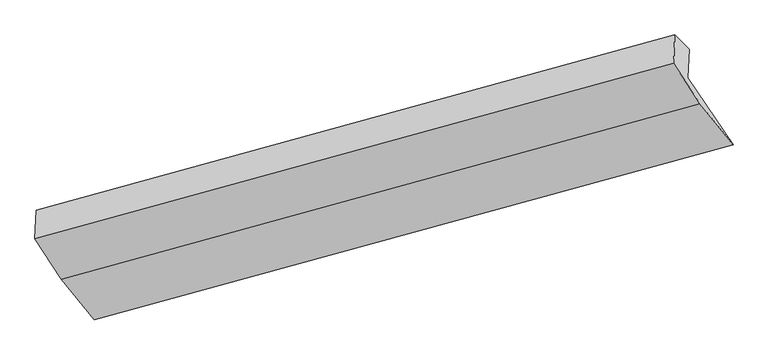
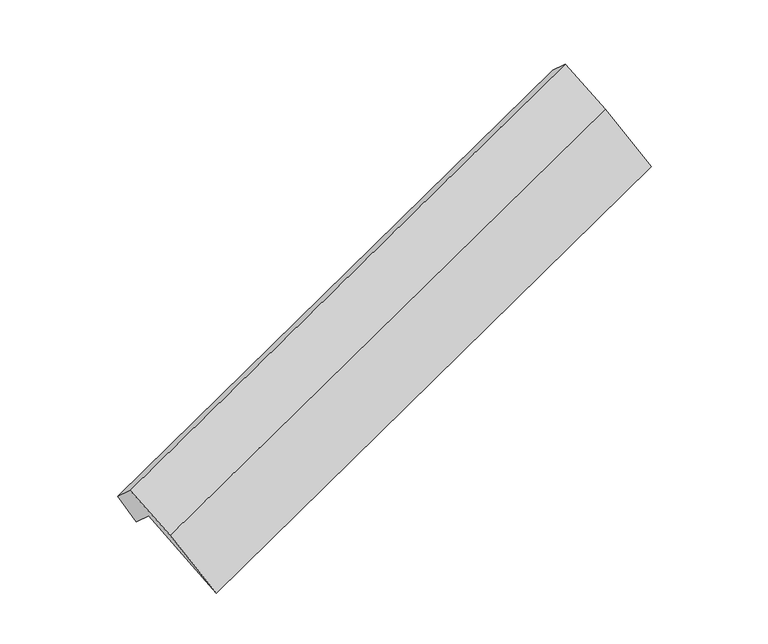
"""IFC4 building model written with IfcOpenShell, lengths in millimetres: proxy geometry."""

from ifc_helpers import new_model, si_unit, origin, place, context, project, spatial, faceted_brep, source, transform, mapped, element, save


def generic_models_16bc8978(model_context):
    return source(origin(), model_context, "Body", "Brep", [
        faceted_brep([(-6153.0478326, -2385.560598, 912.909545), (-6140.3036488, -2094.8795704, 653.164977), (338.9919093, -315.4087057, 2962.4789239), (326.2477255, -606.0897334, 3222.2234919), (-6286.0393577, -1948.5395018, 952.3340136), (193.2562004, -169.0686371, 3261.6479605), (-6298.7312463, -2238.0277307, 1211.0127294), (180.5643119, -458.556866, 3520.3266763), (-6030.9931139, -2645.52847, 768.1136512), (448.3024442, -866.0576053, 3077.4275981), (-5694.8870561, -3060.1983283, 137.545459), (784.408502, -1280.7274636, 2446.8594059)], [[[0, 1, 2, 3]], [[1, 4, 5, 2]], [[4, 6, 7, 5]], [[6, 8, 9, 7]], [[8, 10, 11, 9]], [[10, 0, 3, 11]], [[9, 11, 3, 2, 5, 7]], [[0, 10, 8, 6, 4, 1]]]),
    ])


if __name__ == "__main__":
    model = new_model("IFC4")
    model_context = context("Model", 3, world=origin())
    ifc_project = project(units=[si_unit("LENGTHUNIT", "METRE", prefix="MILLI")], contexts=[model_context])
    site = spatial("IfcSite", under=ifc_project)
    building = spatial("IfcBuilding", under=site)
    placement = place(None, origin())
    generic_models_shape = generic_models_16bc8978(model_context)
    element("IfcBuildingElementProxy", 1, Name="Generic Models", at=placement, inside=building, context=model_context, shape_type="MappedRepresentation", body=[
        mapped(generic_models_shape, transform((0.0, 0.0, 0.0), x_axis=(1.0, 0.0, 0.0), y_axis=(0.0, 1.0, 0.0), z_axis=(0.0, 0.0, 1.0))),
    ])
    save(model, "model.ifc")
